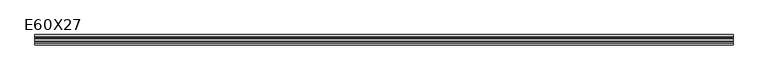
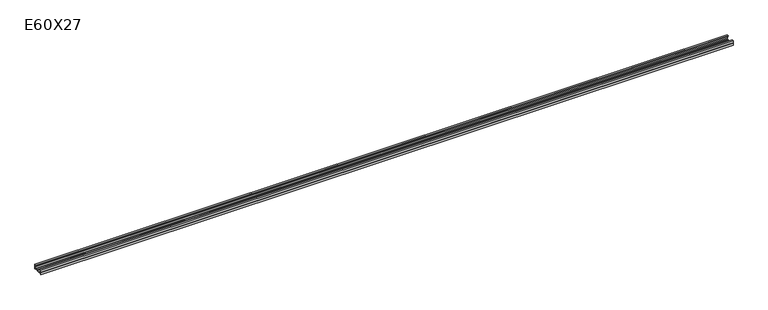
"""IFC4 building model written with IfcOpenShell, lengths in millimetres: beam geometry, E60X27."""

from ifc_helpers import new_model, si_unit, frame, origin, place, context, project, spatial, polyline, outline, extrude, source, transform, mapped, element, save


def e60x27_30a687be(model_context):
    return source(origin(), model_context, "Body", "SweptSolid", [
        extrude(outline(polyline([(20.0, 27.0), (30.0, 27.0), (30.0, 15.5), (27.0, 13.5), (30.0, 11.5), (30.0, 0.0), (22.066768, 0.0), (18.316768, 4.0), (11.683232, 4.0), (7.933232, 0.0), (-7.933232, 0.0), (-11.683232, 4.0), (-18.316768, 4.0), (-22.066768, 0.0), (-30.0, 0.0), (-30.0, 11.5), (-27.0, 13.5), (-30.0, 15.5), (-30.0, 27.0), (-20.0, 27.0), (-20.0, 26.0), (-29.0, 26.0), (-29.0, 16.0351838), (-25.1972244, 13.5), (-29.0, 10.9648162), (-29.0, 1.0), (-22.5, 1.0), (-18.75, 5.0), (-11.25, 5.0), (-7.5, 1.0), (7.5, 1.0), (11.25, 5.0), (18.75, 5.0), (22.5, 1.0), (29.0, 1.0), (29.0, 10.9648162), (25.1972244, 13.5), (29.0, 16.0351838), (29.0, 26.0), (20.0, 26.0), (20.0, 27.0)])), frame((-1978.0, 0.0, 0.0), z_axis=(1.0, 0.0, 0.0), x_axis=(0.0, 1.0, 0.0)), (0.0, 0.0, 1.0), 3956.0),
    ])


if __name__ == "__main__":
    model = new_model("IFC4")
    model_context = context("Model", 3, world=origin())
    ifc_project = project(units=[si_unit("LENGTHUNIT", "METRE", prefix="MILLI")], contexts=[model_context])
    site = spatial("IfcSite", under=ifc_project)
    building = spatial("IfcBuilding", under=site)
    placement = place(None, origin())
    e60x27_shape = e60x27_30a687be(model_context)
    element("IfcBeam", 1, ObjectType="E60X27", at=placement, inside=building, context=model_context, shape_type="MappedRepresentation", body=[
        mapped(e60x27_shape, transform((0.0, 0.0, 0.0), x_axis=(1.0, 0.0, 0.0), y_axis=(0.0, 1.0, 0.0), z_axis=(0.0, 0.0, 1.0))),
    ])
    save(model, "model.ifc")
